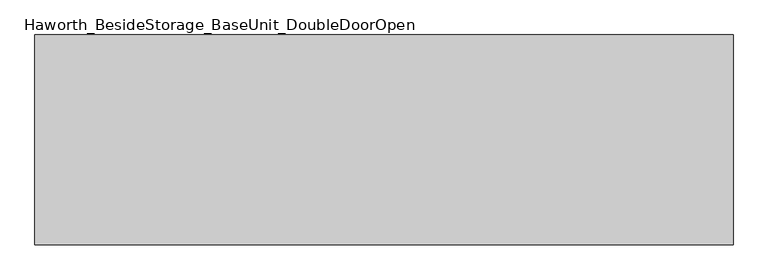
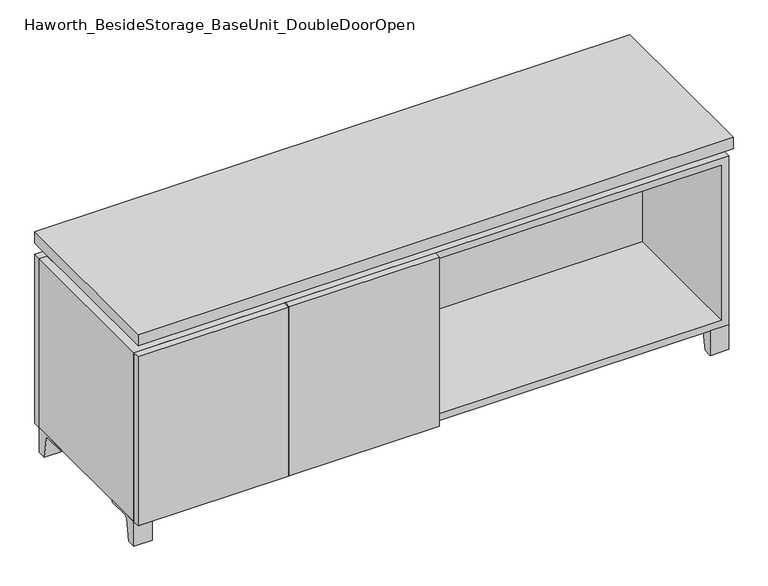
"""IFC4 building model written with IfcOpenShell, lengths in millimetres: furniture geometry, Haworth_BesideStorage_BaseUnit_DoubleDoorOpen."""

from ifc_helpers import new_model, si_unit, point, frame, frame_2d, origin, place, context, project, spatial, polyline, circle_curve, trimmed, segment, composite_curve, outline, extrude, faceted_brep, source, transform, mapped, element, save


def haworth_besidestorage_baseunit_doubledooropen_bae7d1c1(model_context):
    return source(origin(), model_context, "Body", "SolidModel", [
        extrude(outline(composite_curve([segment(polyline([(44.9791531, 0.0), (22.225, 0.0), (22.225, 66.675), (117.475, 66.675), (117.475, 61.8963321), (60.6744655, 61.8963321)]), True, "CONTINUOUS"), segment(trimmed(circle_curve(frame_2d((60.6744655, 55.5463321)), 6.35), [point((60.6744655, 61.8963321))], [point((54.4108641, 56.5902656))], True, "CARTESIAN"), True, "CONTINUOUS"), segment(polyline([(54.4108641, 56.5902656), (44.9791531, 0.0)]), True, "CONTINUOUS")], self_intersect=False)), frame((-23.7986094, 0.0, 0.0), z_axis=(1.0, 0.0, 0.0), x_axis=(0.0, 1.0, 0.0)), (0.0, 0.0, 1.0), 47.625),
        extrude(outline(composite_curve([segment(polyline([(-123.2958469, 0.0), (-146.05, 0.0), (-146.05, 66.675), (-50.8, 66.675), (-50.8, 61.8963321), (-107.6005345, 61.8963321)]), True, "CONTINUOUS"), segment(trimmed(circle_curve(frame_2d((-107.6005345, 55.5463321)), 6.35), [point((-107.6005345, 61.8963321))], [point((-113.8641359, 56.5902656))], True, "CARTESIAN"), True, "CONTINUOUS"), segment(polyline([(-113.8641359, 56.5902656), (-123.2958469, 0.0)]), True, "CONTINUOUS")], self_intersect=False)), frame((712.8013906, 0.0, 0.0), z_axis=(1.0, 0.0, 0.0), x_axis=(0.0, 1.0, 0.0)), (0.0, 0.0, 1.0), 47.625),
        extrude(outline(composite_curve([segment(polyline([(250.2958469, 0.0), (240.8641359, 56.5902656)]), True, "CONTINUOUS"), segment(trimmed(circle_curve(frame_2d((234.6005345, 55.5463321)), 6.35), [point((240.8641359, 56.5902656))], [point((234.6005345, 61.8963321))], True, "CARTESIAN"), True, "CONTINUOUS"), segment(polyline([(234.6005345, 61.8963321), (177.8, 61.8963321), (177.8, 66.675), (273.05, 66.675), (273.05, 0.0), (250.2958469, 0.0)]), True, "CONTINUOUS")], self_intersect=False)), frame((712.8013906, 0.0, 0.0), z_axis=(1.0, 0.0, 0.0), x_axis=(0.0, 1.0, 0.0)), (0.0, 0.0, 1.0), 47.625),
        extrude(outline(composite_curve([segment(polyline([(-123.2958469, 0.0), (-146.05, 0.0), (-146.05, 66.675), (-50.8, 66.675), (-50.8, 61.8963321), (-107.6005345, 61.8963321)]), True, "CONTINUOUS"), segment(trimmed(circle_curve(frame_2d((-107.6005345, 55.5463321)), 6.35), [point((-107.6005345, 61.8963321))], [point((-113.8641359, 56.5902656))], True, "CARTESIAN"), True, "CONTINUOUS"), segment(polyline([(-113.8641359, 56.5902656), (-123.2958469, 0.0)]), True, "CONTINUOUS")], self_intersect=False)), frame((-760.3986094, 0.0, 0.0), z_axis=(1.0, 0.0, 0.0), x_axis=(0.0, 1.0, 0.0)), (0.0, 0.0, 1.0), 47.625),
        extrude(outline(composite_curve([segment(polyline([(250.2958469, 0.0), (240.8641359, 56.5902656)]), True, "CONTINUOUS"), segment(trimmed(circle_curve(frame_2d((234.6005345, 55.5463321)), 6.35), [point((240.8641359, 56.5902656))], [point((234.6005345, 61.8963321))], True, "CARTESIAN"), True, "CONTINUOUS"), segment(polyline([(234.6005345, 61.8963321), (177.8, 61.8963321), (177.8, 66.675), (273.05, 66.675), (273.05, 0.0), (250.2958469, 0.0)]), True, "CONTINUOUS")], self_intersect=False)), frame((-760.3986094, 0.0, 0.0), z_axis=(1.0, 0.0, 0.0), x_axis=(0.0, 1.0, 0.0)), (0.0, 0.0, 1.0), 47.625),
        faceted_brep([(-760.3986094, -146.05, 66.675), (760.4125, -146.05, 66.675), (760.4125, -146.05, 523.875), (-760.3986094, -146.05, 523.875), (-741.3486094, -146.05, 85.725), (-741.3486094, -146.05, 504.825), (741.3694453, -146.05, 504.825), (741.3486094, -146.05, 85.725), (-760.3986094, 273.05, 66.675), (-760.3986094, 273.05, 523.875), (-741.3486094, 273.05, 523.875), (-741.3486094, 273.05, 85.725), (741.3486094, 273.05, 85.725), (741.3486094, 273.05, 523.875), (760.4125, 273.05, 523.875), (760.4125, 273.05, 66.675), (741.3486094, 247.65, 523.875), (-741.3416641, 247.65, 523.875), (-741.3486094, 247.65, 504.825), (741.3486094, 247.65, 504.825)], [[[0, 1, 2, 3], [4, 5, 6, 7]], [[8, 9, 10, 11, 12, 13, 14, 15]], [[1, 0, 8, 15]], [[2, 1, 15, 14]], [[3, 2, 14, 13, 16, 17, 10, 9]], [[0, 3, 9, 8]], [[11, 10, 17, 18, 5, 4]], [[13, 12, 7, 6, 19, 16]], [[4, 7, 12, 11]], [[6, 5, 18, 19]], [[17, 16, 19, 18]]]),
        extrude(outline(polyline([(760.4263906, -165.1), (-760.3986094, -165.1), (-760.3986094, 292.1), (760.4263906, 292.1), (760.4263906, -165.1)])), frame((0.0, 0.0, 554.0375), z_axis=(0.0, 0.0, 1.0), x_axis=(1.0, 0.0, 0.0)), (0.0, 0.0, 1.0), 30.1625),
        faceted_brep([(7.9513906, -69.85, 554.0375), (7.9513906, -69.85, 523.875), (7.9513906, 53.975, 523.875), (7.9513906, 53.975, 554.0375), (7.9513906, 196.85, 523.875), (7.9513906, 196.85, 554.0375), (7.9513906, 73.025, 554.0375), (7.9513906, 73.025, 523.875), (-7.9236094, 196.85, 554.0375), (-7.9236094, 196.85, 523.875), (-7.9236094, 73.025, 523.875), (-7.9236094, 73.025, 554.0375), (-7.9236094, -69.85, 523.875), (-7.9236094, -69.85, 554.0375), (-7.9236094, 53.975, 554.0375), (-7.9236094, 53.975, 523.875), (-719.0958281, 73.025, 554.0375), (-719.1166641, 247.65, 554.0375), (-734.9916641, 247.65, 554.0375), (-734.9916641, -120.65, 554.0375), (-719.1166641, -120.65, 554.0375), (-719.1166641, 53.975, 554.0375), (719.1236094, 53.975, 554.0375), (719.1236094, -120.65, 554.0375), (734.9986094, -120.65, 554.0375), (734.9986094, 247.65, 554.0375), (719.1236094, 247.65, 554.0375), (719.1236094, 73.025, 554.0375), (-719.0958281, 53.975, 523.875), (-719.1166641, -120.65, 523.875), (-734.9916641, -120.65, 523.875), (-734.9916641, 247.65, 523.875), (-719.1166641, 247.65, 523.875), (-719.1166641, 73.025, 523.875), (719.1236094, 73.025, 523.875), (719.1236094, 247.65, 523.875), (734.9986094, 247.65, 523.875), (734.9986094, -120.65, 523.875), (719.1236094, -120.65, 523.875), (719.1236094, 53.975, 523.875)], [[[0, 1, 2, 3]], [[4, 5, 6, 7]], [[8, 9, 10, 11]], [[12, 13, 14, 15]], [[5, 8, 11, 16, 17, 18, 19, 20, 21, 14, 13, 0, 3, 22, 23, 24, 25, 26, 27, 6]], [[1, 12, 15, 28, 29, 30, 31, 32, 33, 10, 9, 4, 7, 34, 35, 36, 37, 38, 39, 2]], [[5, 4, 9, 8]], [[1, 0, 13, 12]], [[6, 27, 34, 7]], [[22, 3, 2, 39]], [[20, 29, 28, 21]], [[32, 17, 16, 33]], [[18, 31, 30, 19]], [[29, 20, 19, 30]], [[17, 32, 31, 18]], [[26, 35, 34, 27]], [[38, 23, 22, 39]], [[25, 24, 37, 36]], [[23, 38, 37, 24]], [[35, 26, 25, 36]], [[16, 11, 10, 33]], [[14, 21, 28, 15]]]),
        extrude(outline(polyline([(9.5388906, 203.2), (9.5388906, -146.05), (-9.5111094, -146.05), (-9.5111094, 203.2), (9.5388906, 203.2)])), frame((0.0, 0.0, 85.725), z_axis=(0.0, 0.0, 1.0), x_axis=(1.0, 0.0, 0.0)), (0.0, 0.0, 1.0), 419.1),
        extrude(outline(polyline([(760.4263906, 273.05), (-760.3986094, 273.05), (-760.3986094, 292.1), (760.4263906, 292.1), (760.4263906, 273.05)])), frame((0.0, 0.0, 66.675), z_axis=(0.0, 0.0, 1.0), x_axis=(1.0, 0.0, 0.0)), (0.0, 0.0, 1.0), 457.2),
        extrude(outline(polyline([(-741.3416641, 203.2), (-741.3416641, 209.55), (741.3694453, 209.55), (741.3694453, 203.2), (-741.3416641, 203.2)])), frame((0.0, 0.0, 85.725), z_axis=(0.0, 0.0, 1.0), x_axis=(1.0, 0.0, 0.0)), (0.0, 0.0, 1.0), 419.1),
        extrude(outline(polyline([(9.5388906, -165.1), (-373.8423594, -165.1), (-373.8423594, -146.05), (9.5388906, -146.05), (9.5388906, -165.1)])), frame((0.0, 0.0, 66.675), z_axis=(0.0, 0.0, 1.0), x_axis=(1.0, 0.0, 0.0)), (0.0, 0.0, 1.0), 457.2),
        extrude(outline(polyline([(-377.0173594, -165.1), (-760.3986094, -165.1), (-760.3986094, -146.05), (-377.0173594, -146.05), (-377.0173594, -165.1)])), frame((0.0, 0.0, 66.675), z_axis=(0.0, 0.0, 1.0), x_axis=(1.0, 0.0, 0.0)), (0.0, 0.0, 1.0), 457.2),
    ])


if __name__ == "__main__":
    model = new_model("IFC4")
    model_context = context("Model", 3, world=origin())
    ifc_project = project(units=[si_unit("LENGTHUNIT", "METRE", prefix="MILLI")], contexts=[model_context])
    site = spatial("IfcSite", under=ifc_project)
    building = spatial("IfcBuilding", under=site)
    placement = place(None, origin())
    haworth_besidestorage_baseunit_doubledooropen_shape = haworth_besidestorage_baseunit_doubledooropen_bae7d1c1(model_context)
    element("IfcFurniture", 1, ObjectType="Haworth_BesideStorage_BaseUnit_DoubleDoorOpen", at=placement, inside=building, context=model_context, shape_type="MappedRepresentation", body=[
        mapped(haworth_besidestorage_baseunit_doubledooropen_shape, transform((0.0, 0.0, 0.0), x_axis=(1.0, 0.0, 0.0), y_axis=(0.0, 1.0, 0.0), z_axis=(0.0, 0.0, 1.0))),
    ])
    save(model, "model.ifc")
